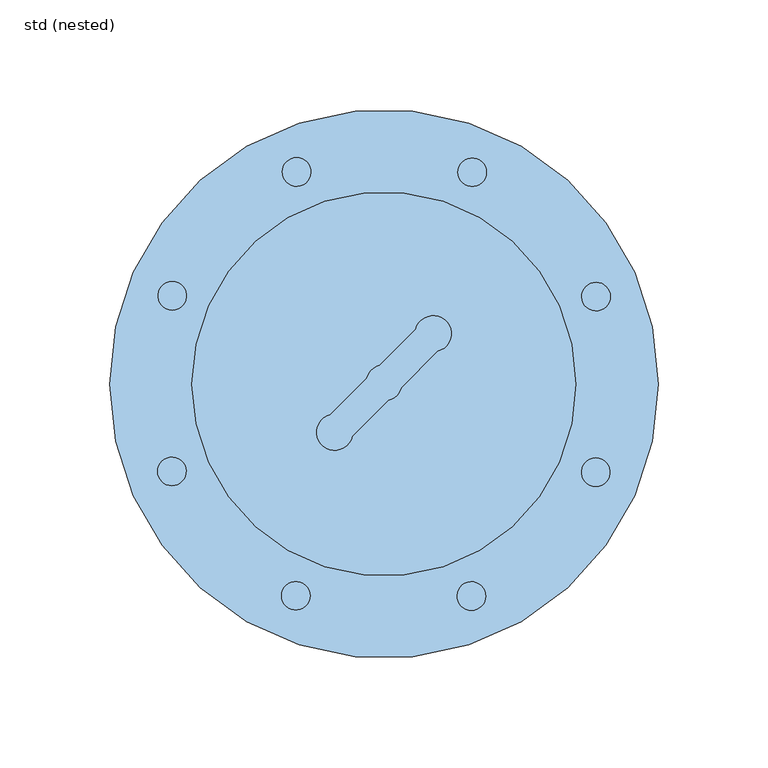
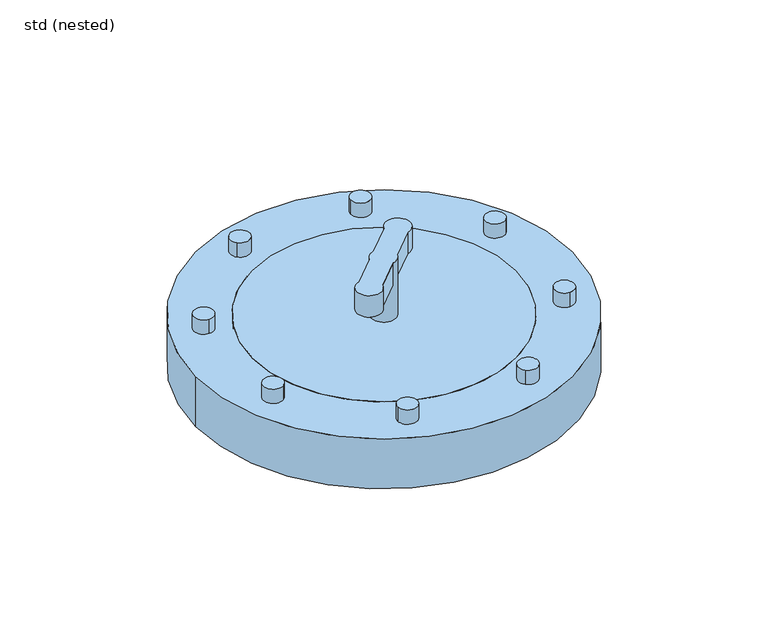
"""IFC4 building model written with IfcOpenShell, lengths in millimetres: window geometry, std (nested)."""

from ifc_helpers import new_model, si_unit, point, frame, frame_2d, origin, origin_2d, place, context, project, spatial, circle_curve, trimmed, segment, composite_curve, outline, extrude, source, transform, mapped, element, save
from ifc_brep_helpers import plane_surface, cylinder_surface, advanced_brep


def std_nested_43f00bc0(model_context):
    return source(origin(), model_context, "Body", "SolidModel", [
        extrude(outline(composite_curve([segment(trimmed(circle_curve(frame_2d((-39.8304597, 96.6560503)), 6.502455), [point((-44.4283898, 92.0581202))], [point((-35.2325297, 101.2539803))], False, "CARTESIAN"), True, "CONTINUOUS"), segment(trimmed(circle_curve(frame_2d((-39.8304597, 96.6560503)), 6.502455), [point((-35.2325297, 101.2539803))], [point((-44.4283898, 92.0581202))], False, "CARTESIAN"), True, "CONTINUOUS")], self_intersect=False)), frame((0.0, 0.0, 10.0), z_axis=(0.0, 0.0, 1.0), x_axis=(1.0, 0.0, 0.0)), (0.0, 0.0, 1.0), 10.0),
        extrude(outline(composite_curve([segment(trimmed(circle_curve(frame_2d((-96.5105368, 40.1817604)), 6.502455), [point((-96.5105368, 33.6793054))], [point((-96.5105368, 46.6842154))], False, "CARTESIAN"), True, "CONTINUOUS"), segment(trimmed(circle_curve(frame_2d((-96.5105368, 40.1817604)), 6.502455), [point((-96.5105368, 46.6842154))], [point((-96.5105368, 33.6793054))], False, "CARTESIAN"), True, "CONTINUOUS")], self_intersect=False)), frame((0.0, 0.0, 10.0), z_axis=(0.0, 0.0, 1.0), x_axis=(1.0, 0.0, 0.0)), (0.0, 0.0, 1.0), 10.0),
        extrude(outline(composite_curve([segment(trimmed(circle_curve(frame_2d((-96.6560503, -39.8304597)), 6.502455), [point((-92.0581202, -44.4283898))], [point((-101.2539803, -35.2325297))], False, "CARTESIAN"), True, "CONTINUOUS"), segment(trimmed(circle_curve(frame_2d((-96.6560503, -39.8304597)), 6.502455), [point((-101.2539803, -35.2325297))], [point((-92.0581202, -44.4283898))], False, "CARTESIAN"), True, "CONTINUOUS")], self_intersect=False)), frame((0.0, 0.0, 10.0), z_axis=(0.0, 0.0, 1.0), x_axis=(1.0, 0.0, 0.0)), (0.0, 0.0, 1.0), 10.0),
        extrude(outline(composite_curve([segment(trimmed(circle_curve(frame_2d((-40.1817604, -96.5105368)), 6.502455), [point((-33.6793054, -96.5105368))], [point((-46.6842154, -96.5105368))], False, "CARTESIAN"), True, "CONTINUOUS"), segment(trimmed(circle_curve(frame_2d((-40.1817604, -96.5105368)), 6.502455), [point((-46.6842154, -96.5105368))], [point((-33.6793054, -96.5105368))], False, "CARTESIAN"), True, "CONTINUOUS")], self_intersect=False)), frame((0.0, 0.0, 10.0), z_axis=(0.0, 0.0, 1.0), x_axis=(1.0, 0.0, 0.0)), (0.0, 0.0, 1.0), 10.0),
        extrude(outline(composite_curve([segment(trimmed(circle_curve(frame_2d((39.8304597, -96.6560503)), 6.502455), [point((44.4283898, -92.0581202))], [point((35.2325297, -101.2539803))], False, "CARTESIAN"), True, "CONTINUOUS"), segment(trimmed(circle_curve(frame_2d((39.8304597, -96.6560503)), 6.502455), [point((35.2325297, -101.2539803))], [point((44.4283898, -92.0581202))], False, "CARTESIAN"), True, "CONTINUOUS")], self_intersect=False)), frame((0.0, 0.0, 10.0), z_axis=(0.0, 0.0, 1.0), x_axis=(1.0, 0.0, 0.0)), (0.0, 0.0, 1.0), 10.0),
        extrude(outline(composite_curve([segment(trimmed(circle_curve(frame_2d((96.5105368, -40.1817604)), 6.502455), [point((96.5105368, -33.6793054))], [point((96.5105368, -46.6842154))], False, "CARTESIAN"), True, "CONTINUOUS"), segment(trimmed(circle_curve(frame_2d((96.5105368, -40.1817604)), 6.502455), [point((96.5105368, -46.6842154))], [point((96.5105368, -33.6793054))], False, "CARTESIAN"), True, "CONTINUOUS")], self_intersect=False)), frame((0.0, 0.0, 10.0), z_axis=(0.0, 0.0, 1.0), x_axis=(1.0, 0.0, 0.0)), (0.0, 0.0, 1.0), 10.0),
        extrude(outline(composite_curve([segment(trimmed(circle_curve(frame_2d((96.6560503, 39.8304597)), 6.502455), [point((92.0581202, 44.4283898))], [point((101.2539803, 35.2325297))], False, "CARTESIAN"), True, "CONTINUOUS"), segment(trimmed(circle_curve(frame_2d((96.6560503, 39.8304597)), 6.502455), [point((101.2539803, 35.2325297))], [point((92.0581202, 44.4283898))], False, "CARTESIAN"), True, "CONTINUOUS")], self_intersect=False)), frame((0.0, 0.0, 10.0), z_axis=(0.0, 0.0, 1.0), x_axis=(1.0, 0.0, 0.0)), (0.0, 0.0, 1.0), 10.0),
        extrude(outline(composite_curve([segment(trimmed(circle_curve(frame_2d((40.1817604, 96.5105368)), 6.502455), [point((33.6793054, 96.5105368))], [point((46.6842154, 96.5105368))], False, "CARTESIAN"), True, "CONTINUOUS"), segment(trimmed(circle_curve(frame_2d((40.1817604, 96.5105368)), 6.502455), [point((46.6842154, 96.5105368))], [point((33.6793054, 96.5105368))], False, "CARTESIAN"), True, "CONTINUOUS")], self_intersect=False)), frame((0.0, 0.0, 10.0), z_axis=(0.0, 0.0, 1.0), x_axis=(1.0, 0.0, 0.0)), (0.0, 0.0, 1.0), 10.0),
        advanced_brep(
        [(1.907869, -7.4948118, 50.0), (7.9916259, -1.4110549, 50.0), (24.382405, 14.9797242, 50.0), (14.48291, 24.8792191, 50.0), (-1.907869, 8.48844, 50.0), (-7.9916259, 2.4046832, 50.0), (-24.382405, -13.9860959, 50.0), (-14.48291, -23.8855908, 50.0), (-8.2162065, 0.4968141, 10.0), (8.2162065, 0.4968141, 10.0), (8.2162065, 0.4968141, 35.0), (7.9916259, -1.4110549, 35.0), (1.907869, -7.4948118, 35.0), (-8.2162065, 0.4968141, 35.0), (-7.9916259, 2.4046832, 35.0), (-1.907869, 8.48844, 35.0), (14.48291, 24.8792191, 35.0), (24.382405, 14.9797242, 35.0), (-14.48291, -23.8855908, 35.0), (-24.382405, -13.9860959, 35.0)],
        [
            (0, 1, circle_curve(frame((0.0, 0.4968141, 50.0), z_axis=(0.0, 0.0, 1.0), x_axis=(1.0, 0.0, 0.0)), 8.2162065)),
            (1, 2),
            (2, 3, circle_curve(frame((22.4745359, 22.9713501, 50.0), z_axis=(0.0, 0.0, 1.0), x_axis=(1.0, 0.0, 0.0)), 8.2162065)),
            (3, 4),
            (4, 5, circle_curve(frame((0.0, 0.4968141, 50.0), z_axis=(0.0, 0.0, 1.0), x_axis=(1.0, 0.0, 0.0)), 8.2162065)),
            (5, 6),
            (6, 7, circle_curve(frame((-22.4745359, -21.9777218, 50.0), z_axis=(0.0, 0.0, 1.0), x_axis=(1.0, 0.0, 0.0)), 8.2162065)),
            (7, 0),
            (8, 9, circle_curve(frame((0.0, 0.4968141, 10.0), z_axis=(0.0, 0.0, -1.0), x_axis=(1.0, 0.0, 0.0)), 8.2162065)),
            (9, 8, circle_curve(frame((0.0, 0.4968141, 10.0), z_axis=(0.0, 0.0, -1.0), x_axis=(1.0, 0.0, 0.0)), 8.2162065)),
            (9, 10),
            (10, 11, circle_curve(frame((0.0, 0.4968141, 35.0), z_axis=(0.0, 0.0, -1.0), x_axis=(1.0, 0.0, 0.0)), 8.2162065)),
            (11, 1),
            (0, 12),
            (12, 13, circle_curve(frame((0.0, 0.4968141, 35.0), z_axis=(0.0, 0.0, -1.0), x_axis=(1.0, 0.0, 0.0)), 8.2162065)),
            (13, 8),
            (13, 14, circle_curve(frame((0.0, 0.4968141, 35.0), z_axis=(0.0, 0.0, -1.0), x_axis=(1.0, 0.0, 0.0)), 8.2162065)),
            (14, 5),
            (4, 15),
            (15, 10, circle_curve(frame((0.0, 0.4968141, 35.0), z_axis=(0.0, 0.0, -1.0), x_axis=(1.0, 0.0, 0.0)), 8.2162065)),
            (16, 17, circle_curve(frame((22.4745359, 22.9713501, 35.0), z_axis=(0.0, 0.0, -1.0), x_axis=(1.0, 0.0, 0.0)), 8.2162065)),
            (17, 11),
            (15, 16),
            (18, 19, circle_curve(frame((-22.4745359, -21.9777218, 35.0), z_axis=(0.0, 0.0, -1.0), x_axis=(1.0, 0.0, 0.0)), 8.2162065)),
            (19, 14),
            (12, 18),
            (3, 16),
            (19, 6),
            (18, 7),
            (17, 2),
        ],
        [
            plane_surface(frame((8.2162065, 0.4968141, 50.0), z_axis=(0.0, 0.0, 1.0), x_axis=(0.0, 1.0, 0.0))),
            plane_surface(frame((8.2162065, 0.4968141, 10.0), z_axis=(0.0, 0.0, -1.0), x_axis=(0.0, -1.0, 0.0))),
            cylinder_surface(frame((0.0, 0.4968141, 10.0), z_axis=(0.0, 0.0, 1.0), x_axis=(1.0, 0.0, 0.0)), 8.2162065),
            plane_surface(frame((14.48291, 24.8792191, 35.0), z_axis=(0.0, 0.0, -1.0), x_axis=(0.7071067811865477, 0.7071067811865474, 0.0))),
            plane_surface(frame((14.48291, 24.8792191, 50.0), z_axis=(-0.7071067811865474, 0.7071067811865477, 0.0), x_axis=(0.0, 0.0, -1.0))),
            cylinder_surface(frame((-22.4745359, -21.9777218, 35.0), z_axis=(0.0, 0.0, 1.0), x_axis=(1.0, 0.0, 0.0)), 8.2162065),
            plane_surface(frame((-14.48291, -23.8855908, 50.0), z_axis=(0.7071067811865472, -0.7071067811865479, 0.0), x_axis=(0.0, 0.0, -1.0))),
            cylinder_surface(frame((22.4745359, 22.9713501, 35.0), z_axis=(0.0, 0.0, 1.0), x_axis=(1.0, 0.0, 0.0)), 8.2162065),
        ],
        [
            (0, [[1, 2, 3, 4, 5, 6, 7, 8]]),
            (1, [[9, 10]]),
            (2, [[-10, 11, 12, 13, -1, 14, 15, 16]]),
            (2, [[-9, -16, 17, 18, -5, 19, 20, -11]]),
            (3, [[21, 22, -12, -20, 23]]),
            (3, [[24, 25, -17, -15, 26]]),
            (4, [[27, -23, -19, -4]]),
            (4, [[28, -6, -18, -25]]),
            (5, [[-7, -28, -24, 29]]),
            (6, [[-29, -26, -14, -8]]),
            (6, [[30, -2, -13, -22]]),
            (7, [[-3, -30, -21, -27]]),
        ],
    ),
        extrude(outline(composite_curve([segment(trimmed(circle_curve(origin_2d(), 87.5), [point((-87.5, 0.0))], [point((87.5, 0.0))], False, "CARTESIAN"), True, "CONTINUOUS"), segment(trimmed(circle_curve(origin_2d(), 87.5), [point((87.5, 0.0))], [point((-87.5, 0.0))], False, "CARTESIAN"), True, "CONTINUOUS")], self_intersect=False)), frame((0.0, 0.0, -25.0), z_axis=(0.0, 0.0, 1.0), x_axis=(1.0, 0.0, 0.0)), (0.0, 0.0, 1.0), 35.0),
        extrude(outline(composite_curve([segment(trimmed(circle_curve(origin_2d(), 125.0), [point((-125.0, 0.0))], [point((125.0, 0.0))], False, "CARTESIAN"), True, "CONTINUOUS"), segment(trimmed(circle_curve(origin_2d(), 125.0), [point((125.0, 0.0))], [point((-125.0, 0.0))], False, "CARTESIAN"), True, "CONTINUOUS")], self_intersect=False), holes=[composite_curve([segment(trimmed(circle_curve(origin_2d(), 87.5), [point((-87.5, 0.0))], [point((87.5, 0.0))], True, "CARTESIAN"), True, "CONTINUOUS"), segment(trimmed(circle_curve(origin_2d(), 87.5), [point((87.5, 0.0))], [point((-87.5, 0.0))], True, "CARTESIAN"), True, "CONTINUOUS")], self_intersect=False)]), frame((0.0, 0.0, -25.0), z_axis=(0.0, 0.0, 1.0), x_axis=(1.0, 0.0, 0.0)), (0.0, 0.0, 1.0), 35.0),
    ])


if __name__ == "__main__":
    model = new_model("IFC4")
    model_context = context("Model", 3, world=origin())
    ifc_project = project(units=[si_unit("LENGTHUNIT", "METRE", prefix="MILLI")], contexts=[model_context])
    site = spatial("IfcSite", under=ifc_project)
    building = spatial("IfcBuilding", under=site)
    placement = place(None, origin())
    std_nested_shape = std_nested_43f00bc0(model_context)
    element("IfcWindow", 1, ObjectType="std (nested)", at=placement, inside=building, context=model_context, shape_type="MappedRepresentation", body=[
        mapped(std_nested_shape, transform((0.0, 0.0, 0.0), x_axis=(1.0, 0.0, 0.0), y_axis=(0.0, 1.0, 0.0), z_axis=(0.0, 0.0, 1.0))),
    ])
    save(model, "model.ifc")
